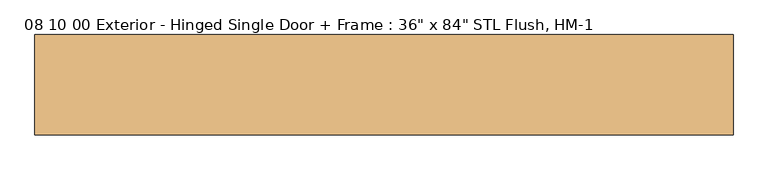
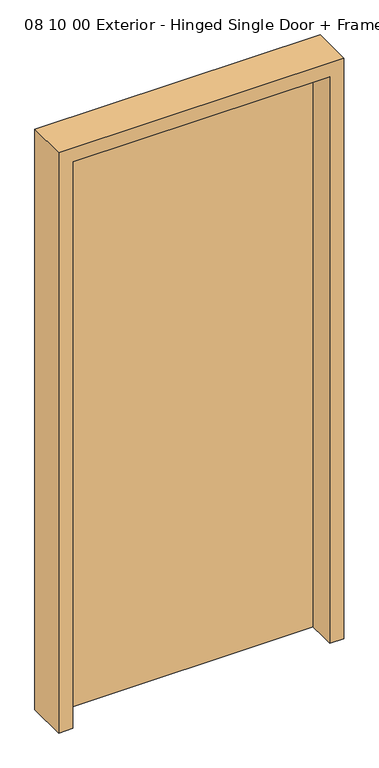
"""IFC4 building model written with IfcOpenShell, lengths in millimetres: door geometry."""

from ifc_helpers import new_model, si_unit, frame, origin, origin_with_axes, place, context, project, spatial, polyline, outline, extrude, source, transform, mapped, element, save


def door_0549ec12(model_context):
    return source(origin(), model_context, "Body", "SweptSolid", [
        extrude(outline(polyline([(457.2, 266.7), (-457.2, 266.7), (-457.2, 311.15), (457.2, 311.15), (457.2, 266.7)])), origin_with_axes(), (0.0, 0.0, 1.0), 2133.6),
        extrude(outline(polyline([(0.0, -508.0), (0.0, -457.2), (2133.6, -457.2), (2133.6, 457.2), (0.0, 457.2), (0.0, 508.0), (2184.4, 508.0), (2184.4, -508.0), (0.0, -508.0)])), frame((0.0, 165.1, 0.0), z_axis=(0.0, 1.0, 0.0), x_axis=(0.0, 0.0, 1.0)), (0.0, 0.0, 1.0), 146.05),
    ])


if __name__ == "__main__":
    model = new_model("IFC4")
    model_context = context("Model", 3, world=origin())
    ifc_project = project(units=[si_unit("LENGTHUNIT", "METRE", prefix="MILLI")], contexts=[model_context])
    site = spatial("IfcSite", under=ifc_project)
    building = spatial("IfcBuilding", under=site)
    placement = place(None, origin())
    door_shape = door_0549ec12(model_context)
    element("IfcDoor", 1, ObjectType="08 10 00 Exterior - Hinged Single Door + Frame : 36\" x 84\" STL Flush, HM-1", at=placement, inside=building, context=model_context, shape_type="MappedRepresentation", body=[
        mapped(door_shape, transform((0.0, 0.0, 0.0), x_axis=(1.0, 0.0, 0.0), y_axis=(0.0, 1.0, 0.0), z_axis=(0.0, 0.0, 1.0))),
    ])
    save(model, "model.ifc")
